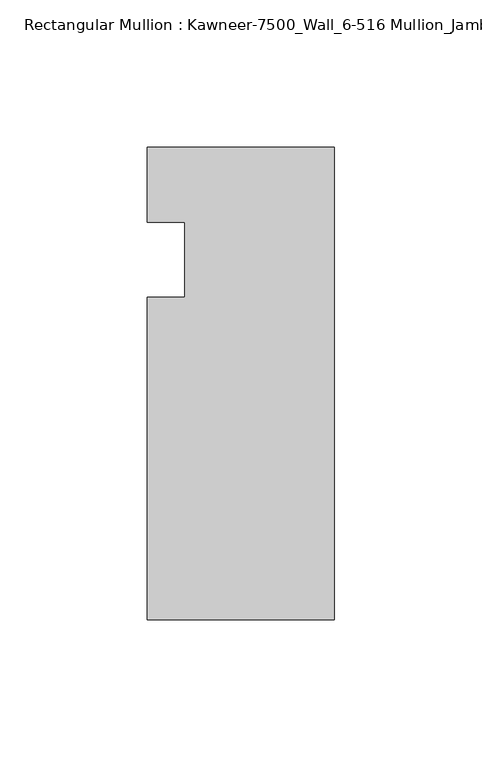
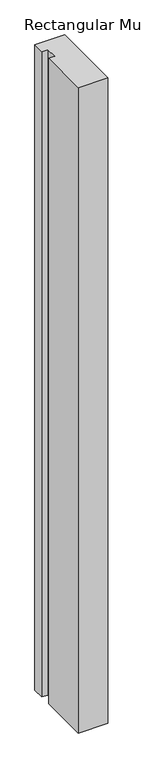
"""IFC4 building model written with IfcOpenShell, lengths in millimetres: member geometry, Rectangular Mullion : Kawneer-7500_Wall_6-516 Mullion_Jamb L."""

from ifc_helpers import new_model, si_unit, frame, origin, place, context, project, spatial, polyline, outline, extrude, source, transform, mapped, element, save


def rectangular_mullion_kawneer_7500_wall_6_516_mullion_jamb_l_288dda1c(model_context):
    return source(origin(), model_context, "Body", "SweptSolid", [
        extrude(outline(polyline([(-63.5, -122.2375), (-63.5, -12.7), (-50.7982296, -12.7), (-50.7982296, 12.7), (-63.5, 12.7), (-63.5, 38.1), (0.0, 38.1), (0.0, -122.2375), (-63.5, -122.2375)])), frame((0.0, 0.0, -1463.04), z_axis=(0.0, 0.0, 1.0), x_axis=(1.0, 0.0, 0.0)), (0.0, 0.0, 1.0), 1463.04),
    ])


if __name__ == "__main__":
    model = new_model("IFC4")
    model_context = context("Model", 3, world=origin())
    ifc_project = project(units=[si_unit("LENGTHUNIT", "METRE", prefix="MILLI")], contexts=[model_context])
    site = spatial("IfcSite", under=ifc_project)
    building = spatial("IfcBuilding", under=site)
    placement = place(None, origin())
    rectangular_mullion_kawneer_7500_wall_6_516_mullion_jamb_l_shape = rectangular_mullion_kawneer_7500_wall_6_516_mullion_jamb_l_288dda1c(model_context)
    element("IfcMember", 1, ObjectType="Rectangular Mullion : Kawneer-7500_Wall_6-516 Mullion_Jamb L", at=placement, inside=building, context=model_context, shape_type="MappedRepresentation", body=[
        mapped(rectangular_mullion_kawneer_7500_wall_6_516_mullion_jamb_l_shape, transform((0.0, 0.0, 0.0), x_axis=(1.0, 0.0, 0.0), y_axis=(0.0, 1.0, 0.0), z_axis=(0.0, 0.0, 1.0))),
    ])
    save(model, "model.ifc")
